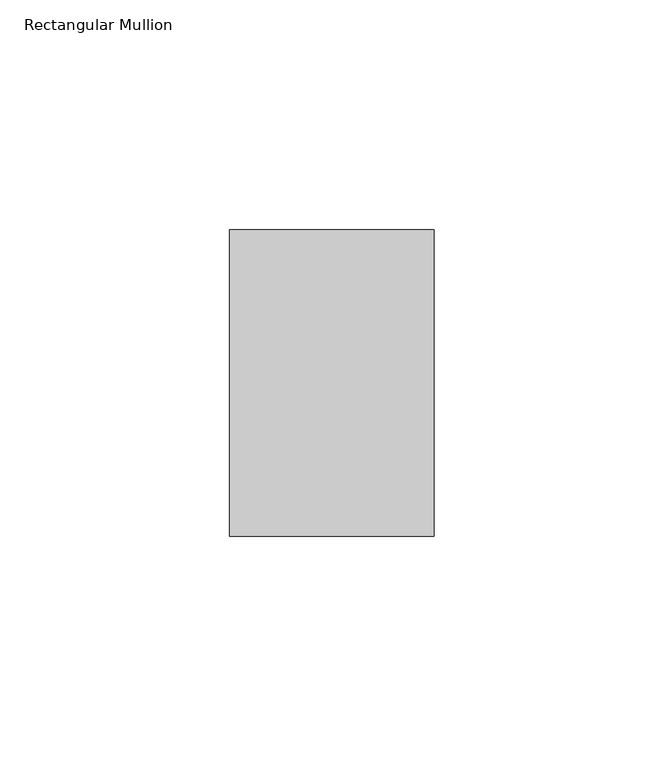
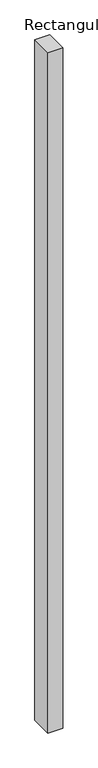
"""IFC4 building model written with IfcOpenShell, lengths in millimetres: member geometry, Rectangular Mullion."""

from ifc_helpers import new_model, si_unit, frame, origin, place, context, project, spatial, polyline, outline, extrude, source, transform, mapped, element, save


def rectangular_mullion_c80f93c5(model_context):
    return source(origin(), model_context, "Body", "SweptSolid", [
        extrude(outline(polyline([(0.0, 33.3375), (0.0, -33.3375), (-44.45, -33.3375), (-44.45, 33.3375), (0.0, 33.3375)])), frame((0.0, 0.0, -2133.6), z_axis=(0.0, 0.0, 1.0), x_axis=(1.0, 0.0, 0.0)), (0.0, 0.0, 1.0), 2133.6),
    ])


if __name__ == "__main__":
    model = new_model("IFC4")
    model_context = context("Model", 3, world=origin())
    ifc_project = project(units=[si_unit("LENGTHUNIT", "METRE", prefix="MILLI")], contexts=[model_context])
    site = spatial("IfcSite", under=ifc_project)
    building = spatial("IfcBuilding", under=site)
    placement = place(None, origin())
    rectangular_mullion_shape = rectangular_mullion_c80f93c5(model_context)
    element("IfcMember", 1, ObjectType="Rectangular Mullion", at=placement, inside=building, context=model_context, shape_type="MappedRepresentation", body=[
        mapped(rectangular_mullion_shape, transform((0.0, 0.0, 0.0), x_axis=(1.0, 0.0, 0.0), y_axis=(0.0, 1.0, 0.0), z_axis=(0.0, 0.0, 1.0))),
    ])
    save(model, "model.ifc")
